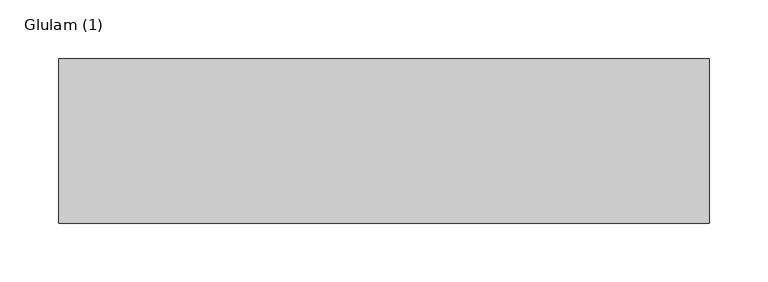
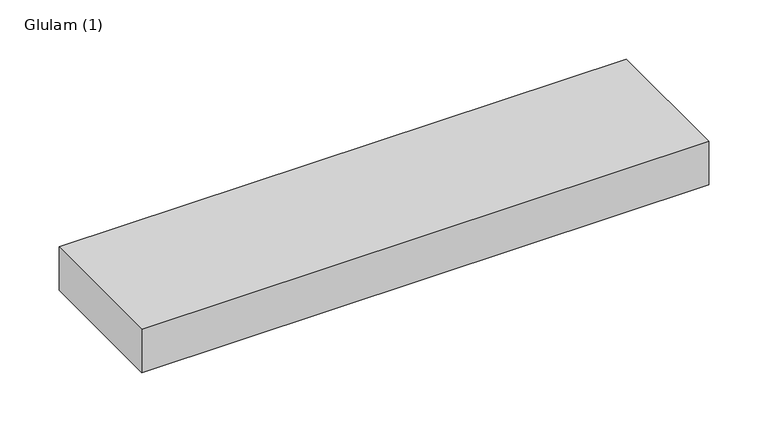
"""IFC4 building model written with IfcOpenShell, lengths in millimetres: beam geometry, Glulam (1)."""

from ifc_helpers import new_model, si_unit, frame, origin, place, context, project, spatial, polyline, outline, extrude, source, transform, mapped, element, save


def glulam_1_1b91cc2e(model_context):
    return source(origin(), model_context, "Body", "SweptSolid", [
        extrude(outline(polyline([(286.5, 70.0), (286.5, -70.0), (-267.5, -70.0), (-267.5, 70.0), (286.5, 70.0)])), frame((0.0, 0.0, -22.5), z_axis=(0.0, 0.0, 1.0), x_axis=(1.0, 0.0, 0.0)), (0.0, 0.0, 1.0), 45.0),
    ])


if __name__ == "__main__":
    model = new_model("IFC4")
    model_context = context("Model", 3, world=origin())
    ifc_project = project(units=[si_unit("LENGTHUNIT", "METRE", prefix="MILLI")], contexts=[model_context])
    site = spatial("IfcSite", under=ifc_project)
    building = spatial("IfcBuilding", under=site)
    placement = place(None, origin())
    glulam_1_shape = glulam_1_1b91cc2e(model_context)
    element("IfcBeam", 1, ObjectType="Glulam (1)", at=placement, inside=building, context=model_context, shape_type="MappedRepresentation", body=[
        mapped(glulam_1_shape, transform((0.0, 0.0, 0.0), x_axis=(1.0, 0.0, 0.0), y_axis=(0.0, 1.0, 0.0), z_axis=(0.0, 0.0, 1.0))),
    ])
    save(model, "model.ifc")
